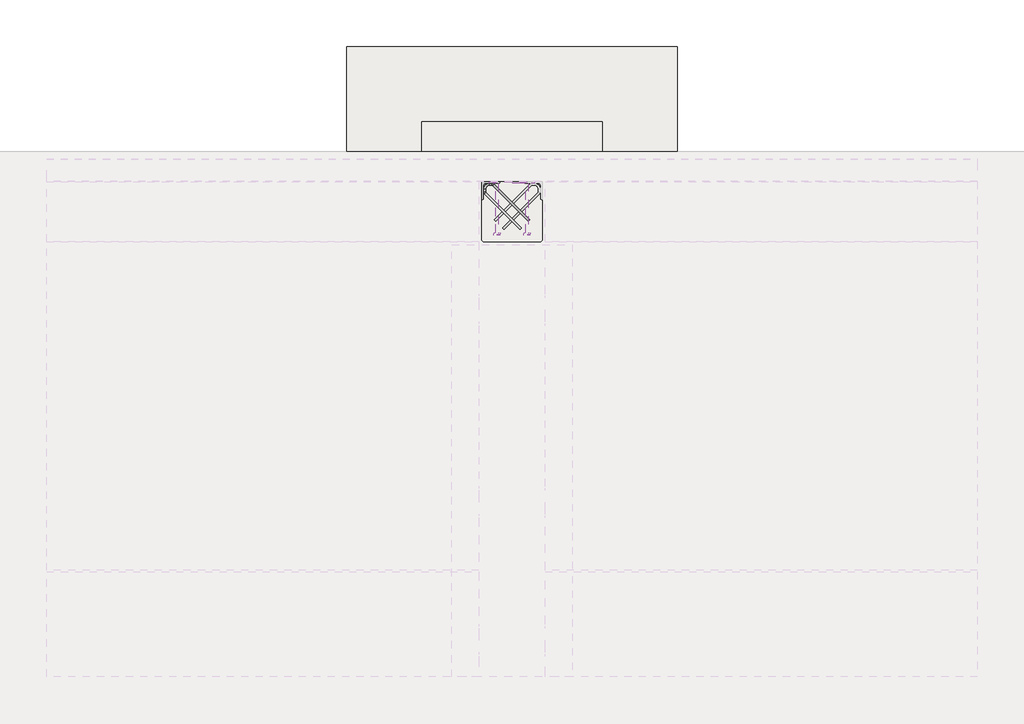
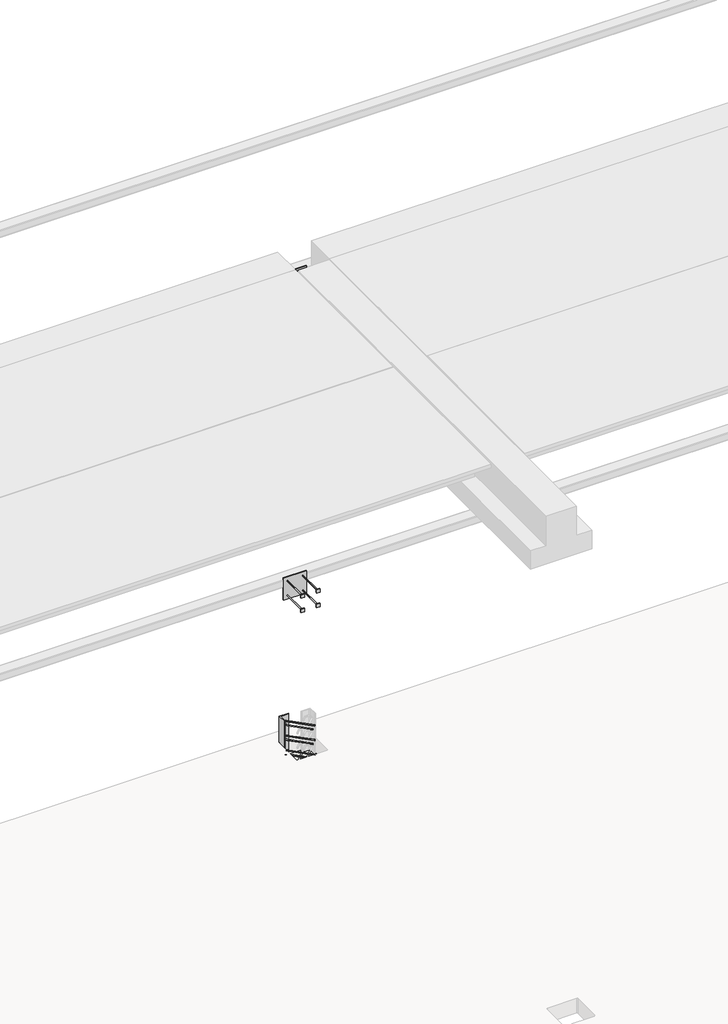
# One storey, part 37 of 65: 4 fasteners, 1 slab.
"""IFC4 building model written with IfcOpenShell, lengths in millimetres."""

from ifc_helpers import new_model, si_unit, point, frame, frame_2d, origin, place, context, project, spatial, polyline, circle_curve, ellipse_curve, trimmed, segment, composite_curve, outline, extrude, faceted_brep, element, save
from ifc_brep_helpers import plane_surface, cylinder_surface, revolved_surface, advanced_brep

model = new_model("IFC4")

# Units and contexts
model_context = context("Model", 3, world=origin())
ifc_project = project(units=[si_unit("LENGTHUNIT", "METRE", prefix="MILLI")], contexts=[model_context])

# Site, building, storey
site = spatial("IfcSite", under=ifc_project)
building = spatial("IfcBuilding", under=site)
storey = spatial("IfcBuildingStorey", under=building, Elevation=0.0)

# Fasteners
placement = place(None, origin())
element("IfcFastener", 1, at=placement, inside=storey, context=model_context, shape_type="SolidModel", body=[
    advanced_brep(
    [(28052.5376259, 38682.5628791, 280.0), (28062.4371209, 38692.4623741, 280.0), (28117.4371209, 38747.4623741, 280.0), (28107.5376259, 38737.5628791, 280.0), (27847.0, 38976.0, 280.0), (27847.0, 38990.0, 280.0), (27865.7867966, 38990.0, 280.0), (27865.7867966, 38976.0, 280.0), (27824.0, 38953.0, 280.0), (27810.0, 38953.0, 280.0), (27824.0, 38934.2132034, 280.0), (27810.0, 38934.2132034, 280.0), (27816.4436508, 38918.6568542, 280.0), (27826.3431458, 38928.5563492, 280.0), (27871.4436508, 38973.6568542, 280.0), (27881.3431458, 38983.5563492, 280.0)],
    [
        (0, 1, circle_curve(frame((28057.4873734, 38687.5126266, 280.0), z_axis=(0.7071067811865482, -0.707106781186547, 0.0), x_axis=(0.707106781186547, 0.7071067811865482, 0.0)), 7.0)),
        (1, 0, circle_curve(frame((28057.4873734, 38687.5126266, 280.0), z_axis=(0.7071067811865482, -0.707106781186547, 0.0), x_axis=(0.707106781186547, 0.7071067811865482, 0.0)), 7.0)),
        (2, 3, circle_curve(frame((28112.4873734, 38742.5126266, 280.0), z_axis=(0.707106781186548, -0.707106781186547, 0.0), x_axis=(-0.707106781186547, -0.707106781186548, 0.0)), 7.0)),
        (3, 2, circle_curve(frame((28112.4873734, 38742.5126266, 280.0), z_axis=(0.707106781186548, -0.707106781186547, 0.0), x_axis=(-0.707106781186547, -0.707106781186548, 0.0)), 7.0)),
        (4, 5, circle_curve(frame((27847.0, 38983.0, 280.0), z_axis=(1.0, 0.0, 0.0), x_axis=(0.0, -1.0, 0.0)), 7.0)),
        (5, 6),
        (6, 7, circle_curve(frame((27865.7867966, 38983.0, 280.0), z_axis=(-1.0, 0.0, 0.0), x_axis=(0.0, -1.0, 0.0)), 7.0)),
        (7, 4),
        (5, 4, circle_curve(frame((27847.0, 38983.0, 280.0), z_axis=(1.0, 0.0, 0.0), x_axis=(0.0, -1.0, 0.0)), 7.0)),
        (7, 6, circle_curve(frame((27865.7867966, 38983.0, 280.0), z_axis=(-1.0, 0.0, 0.0), x_axis=(0.0, -1.0, 0.0)), 7.0)),
        (4, 8, circle_curve(frame((27847.0, 38953.0, 280.0), z_axis=(0.0, 0.0, 1.0), x_axis=(-1.0, 0.0, 0.0)), 23.0)),
        (8, 9, circle_curve(frame((27817.0, 38953.0, 280.0), z_axis=(0.0, 1.0, 0.0), x_axis=(1.0, 0.0, 0.0)), 7.0)),
        (9, 5, circle_curve(frame((27847.0, 38953.0, 280.0), z_axis=(0.0, 0.0, -1.0), x_axis=(-1.0, 0.0, 0.0)), 37.0)),
        (9, 8, circle_curve(frame((27817.0, 38953.0, 280.0), z_axis=(0.0, 1.0, 0.0), x_axis=(1.0, 0.0, 0.0)), 7.0)),
        (10, 11, circle_curve(frame((27817.0, 38934.2132034, 280.0), z_axis=(0.0, 1.0, 0.0), x_axis=(1.0, 0.0, 0.0)), 7.0)),
        (11, 9),
        (8, 10),
        (11, 10, circle_curve(frame((27817.0, 38934.2132034, 280.0), z_axis=(0.0, 1.0, 0.0), x_axis=(1.0, 0.0, 0.0)), 7.0)),
        (0, 12),
        (12, 13, circle_curve(frame((27821.3933983, 38923.6066017, 280.0), z_axis=(0.7071067811865482, -0.707106781186547, 0.0), x_axis=(0.707106781186547, 0.7071067811865482, 0.0)), 7.0)),
        (13, 1),
        (13, 12, circle_curve(frame((27821.3933983, 38923.6066017, 280.0), z_axis=(0.7071067811865482, -0.707106781186547, 0.0), x_axis=(0.707106781186547, 0.7071067811865482, 0.0)), 7.0)),
        (10, 13, circle_curve(frame((27832.0, 38934.2132034, 280.0), z_axis=(0.0, 0.0, 1.0), x_axis=(-0.7071067811865468, -0.7071067811865482, 0.0)), 8.0)),
        (12, 11, circle_curve(frame((27832.0, 38934.2132034, 280.0), z_axis=(0.0, 0.0, -1.0), x_axis=(-0.7071067811865468, -0.7071067811865482, 0.0)), 22.0)),
        (14, 7, circle_curve(frame((27865.7867966, 38968.0, 280.0), z_axis=(0.0, 0.0, 1.0), x_axis=(0.0, 1.0, 0.0)), 8.0)),
        (6, 15, circle_curve(frame((27865.7867966, 38968.0, 280.0), z_axis=(0.0, 0.0, -1.0), x_axis=(0.0, 1.0, 0.0)), 22.0)),
        (15, 14, circle_curve(frame((27876.3933983, 38978.6066017, 280.0), z_axis=(-0.7071067811865479, 0.7071067811865471, 0.0), x_axis=(-0.7071067811865471, -0.7071067811865479, 0.0)), 7.0)),
        (14, 15, circle_curve(frame((27876.3933983, 38978.6066017, 280.0), z_axis=(-0.7071067811865476, 0.7071067811865475, 0.0), x_axis=(-0.7071067811865475, -0.7071067811865476, 0.0)), 7.0)),
        (15, 2),
        (3, 14),
    ],
    [
        plane_surface(frame((28057.4873734, 38687.5126266, 280.0), z_axis=(0.7071067811865482, -0.707106781186547, 0.0), x_axis=(0.0, 0.0, -1.0))),
        plane_surface(frame((28112.4873734, 38742.5126266, 280.0), z_axis=(0.707106781186548, -0.707106781186547, 0.0), x_axis=(0.0, 0.0, -1.0))),
        cylinder_surface(frame((27847.0, 38983.0, 280.0), z_axis=(-1.0, 0.0, 0.0), x_axis=(0.0, -1.0, 0.0)), 7.0),
        revolved_surface(trimmed(ellipse_curve(frame((27817.0, 38953.0, 280.0), z_axis=(0.0, -1.0, 0.0), x_axis=(1.0, 0.0, 0.0)), 7.0, 7.0), [point((27810.0, 38953.0, 280.0))], [point((27824.0, 38953.0, 280.0))], True, "CARTESIAN"), (27847.0, 38953.0, 280.0), (0.0, 0.0, -1.0)),
        revolved_surface(trimmed(ellipse_curve(frame((27817.0, 38953.0, 280.0), z_axis=(0.0, -1.0, 0.0), x_axis=(1.0, 0.0, 0.0)), 7.0, 7.0), [point((27824.0, 38953.0, 280.0))], [point((27810.0, 38953.0, 280.0))], True, "CARTESIAN"), (27847.0, 38953.0, 280.0), (0.0, 0.0, -1.0)),
        cylinder_surface(frame((27817.0, 38934.2132034, 280.0), z_axis=(0.0, -1.0, 0.0), x_axis=(1.0, 0.0, 0.0)), 7.0),
        cylinder_surface(frame((28057.4873734, 38687.5126266, 280.0), z_axis=(0.7071067811865482, -0.707106781186547, 0.0), x_axis=(0.707106781186547, 0.7071067811865482, 0.0)), 7.0),
        revolved_surface(trimmed(ellipse_curve(frame((27821.3933983, 38923.6066017, 280.0), z_axis=(0.7071067811865482, -0.7071067811865468, 0.0), x_axis=(0.7071067811865468, 0.7071067811865482, 0.0)), 7.0, 7.0), [point((27816.4436508, 38918.6568542, 280.0))], [point((27826.3431458, 38928.5563492, 280.0))], True, "CARTESIAN"), (27832.0, 38934.2132034, 280.0), (0.0, 0.0, -1.0)),
        revolved_surface(trimmed(ellipse_curve(frame((27821.3933983, 38923.6066017, 280.0), z_axis=(0.7071067811865482, -0.7071067811865468, 0.0), x_axis=(0.7071067811865468, 0.7071067811865482, 0.0)), 7.0, 7.0), [point((27826.3431458, 38928.5563492, 280.0))], [point((27816.4436508, 38918.6568542, 280.0))], True, "CARTESIAN"), (27832.0, 38934.2132034, 280.0), (0.0, 0.0, -1.0)),
        revolved_surface(trimmed(ellipse_curve(frame((27865.7867966, 38983.0, 280.0), z_axis=(-1.0, 0.0, 0.0), x_axis=(0.0, -1.0, 0.0)), 7.0, 7.0), [point((27865.7867966, 38990.0, 280.0))], [point((27865.7867966, 38976.0, 280.0))], True, "CARTESIAN"), (27865.7867966, 38968.0, 280.0), (0.0, 0.0, -1.0)),
        revolved_surface(trimmed(ellipse_curve(frame((27865.7867966, 38983.0, 280.0), z_axis=(-1.0, 0.0, 0.0), x_axis=(0.0, -1.0, 0.0)), 7.0, 7.0), [point((27865.7867966, 38976.0, 280.0))], [point((27865.7867966, 38990.0, 280.0))], True, "CARTESIAN"), (27865.7867966, 38968.0, 280.0), (0.0, 0.0, -1.0)),
        cylinder_surface(frame((27876.3933983, 38978.6066017, 280.0), z_axis=(-0.707106781186548, 0.707106781186547, 0.0), x_axis=(-0.707106781186547, -0.707106781186548, 0.0)), 7.0),
    ],
    [
        (0, [[1, 2]]),
        (1, [[3, 4]]),
        (2, [[5, 6, 7, 8]]),
        (2, [[9, -8, 10, -6]]),
        (3, [[11, 12, 13, -5]]),
        (4, [[-13, 14, -11, -9]]),
        (5, [[15, 16, -12, 17]]),
        (5, [[18, -17, -14, -16]]),
        (6, [[-1, 19, 20, 21]]),
        (6, [[-2, -21, 22, -19]]),
        (7, [[23, -20, 24, -15]]),
        (8, [[-24, -22, -23, -18]]),
        (9, [[25, -7, 26, 27]]),
        (10, [[-26, -10, -25, 28]]),
        (11, [[-27, 29, -4, 30]]),
        (11, [[-28, -30, -3, -29]]),
    ],
),
    advanced_brep(
    [(28062.4371209, 38692.4623741, -120.0), (28052.5376259, 38682.5628791, -120.0), (28107.5376259, 38737.5628791, -120.0), (28117.4371209, 38747.4623741, -120.0), (27847.0, 38990.0, -120.0), (27847.0, 38976.0, -120.0), (27865.7867966, 38976.0, -120.0), (27865.7867966, 38990.0, -120.0), (27810.0, 38953.0, -120.0), (27824.0, 38953.0, -120.0), (27810.0, 38934.2132034, -120.0), (27824.0, 38934.2132034, -120.0), (27826.3431458, 38928.5563492, -120.0), (27816.4436508, 38918.6568542, -120.0), (27881.3431458, 38983.5563492, -120.0), (27871.4436508, 38973.6568542, -120.0)],
    [
        (0, 1, circle_curve(frame((28057.4873734, 38687.5126266, -120.0), z_axis=(0.7071067811865482, -0.707106781186547, 0.0), x_axis=(-0.707106781186547, -0.7071067811865482, 0.0)), 7.0)),
        (1, 0, circle_curve(frame((28057.4873734, 38687.5126266, -120.0), z_axis=(0.7071067811865482, -0.707106781186547, 0.0), x_axis=(-0.707106781186547, -0.7071067811865482, 0.0)), 7.0)),
        (2, 3, circle_curve(frame((28112.4873734, 38742.5126266, -120.0), z_axis=(0.7071067811865481, -0.707106781186547, 0.0), x_axis=(0.707106781186547, 0.7071067811865481, 0.0)), 7.0)),
        (3, 2, circle_curve(frame((28112.4873734, 38742.5126266, -120.0), z_axis=(0.7071067811865481, -0.707106781186547, 0.0), x_axis=(0.707106781186547, 0.7071067811865481, 0.0)), 7.0)),
        (4, 5, circle_curve(frame((27847.0, 38983.0, -120.0), z_axis=(1.0, 0.0, 0.0), x_axis=(0.0, 1.0, 0.0)), 7.0)),
        (5, 6),
        (6, 7, circle_curve(frame((27865.7867966, 38983.0, -120.0), z_axis=(-1.0, 0.0, 0.0), x_axis=(0.0, 1.0, 0.0)), 7.0)),
        (7, 4),
        (5, 4, circle_curve(frame((27847.0, 38983.0, -120.0), z_axis=(1.0, 0.0, 0.0), x_axis=(0.0, 1.0, 0.0)), 7.0)),
        (7, 6, circle_curve(frame((27865.7867966, 38983.0, -120.0), z_axis=(-1.0, 0.0, 0.0), x_axis=(0.0, 1.0, 0.0)), 7.0)),
        (4, 8, circle_curve(frame((27847.0, 38953.0, -120.0), z_axis=(0.0, 0.0, 1.0), x_axis=(-1.0, 0.0, 0.0)), 37.0)),
        (8, 9, circle_curve(frame((27817.0, 38953.0, -120.0), z_axis=(0.0, 1.0, 0.0), x_axis=(-1.0, 0.0, 0.0)), 7.0)),
        (9, 5, circle_curve(frame((27847.0, 38953.0, -120.0), z_axis=(0.0, 0.0, -1.0), x_axis=(-1.0, 0.0, 0.0)), 23.0)),
        (9, 8, circle_curve(frame((27817.0, 38953.0, -120.0), z_axis=(0.0, 1.0, 0.0), x_axis=(-1.0, 0.0, 0.0)), 7.0)),
        (10, 11, circle_curve(frame((27817.0, 38934.2132034, -120.0), z_axis=(0.0, 1.0, 0.0), x_axis=(-1.0, 0.0, 0.0)), 7.0)),
        (11, 9),
        (8, 10),
        (11, 10, circle_curve(frame((27817.0, 38934.2132034, -120.0), z_axis=(0.0, 1.0, 0.0), x_axis=(-1.0, 0.0, 0.0)), 7.0)),
        (0, 12),
        (12, 13, circle_curve(frame((27821.3933983, 38923.6066017, -120.0), z_axis=(0.7071067811865482, -0.707106781186547, 0.0), x_axis=(-0.707106781186547, -0.7071067811865482, 0.0)), 7.0)),
        (13, 1),
        (13, 12, circle_curve(frame((27821.3933983, 38923.6066017, -120.0), z_axis=(0.7071067811865482, -0.707106781186547, 0.0), x_axis=(-0.707106781186547, -0.7071067811865482, 0.0)), 7.0)),
        (10, 13, circle_curve(frame((27832.0, 38934.2132034, -120.0), z_axis=(0.0, 0.0, 1.0), x_axis=(-0.7071067811865468, -0.7071067811865482, 0.0)), 22.0)),
        (12, 11, circle_curve(frame((27832.0, 38934.2132034, -120.0), z_axis=(0.0, 0.0, -1.0), x_axis=(-0.7071067811865468, -0.7071067811865482, 0.0)), 8.0)),
        (14, 7, circle_curve(frame((27865.7867966, 38968.0, -120.0), z_axis=(0.0, 0.0, 1.0), x_axis=(0.0, 1.0, 0.0)), 22.0)),
        (6, 15, circle_curve(frame((27865.7867966, 38968.0, -120.0), z_axis=(0.0, 0.0, -1.0), x_axis=(0.0, 1.0, 0.0)), 8.0)),
        (15, 14, circle_curve(frame((27876.3933983, 38978.6066017, -120.0), z_axis=(-0.7071067811865464, 0.7071067811865487, 0.0), x_axis=(0.7071067811865487, 0.7071067811865464, 0.0)), 7.0)),
        (14, 15, circle_curve(frame((27876.3933983, 38978.6066017, -120.0), z_axis=(-0.7071067811865474, 0.7071067811865477, 0.0), x_axis=(0.7071067811865477, 0.7071067811865474, 0.0)), 7.0)),
        (15, 2),
        (3, 14),
    ],
    [
        plane_surface(frame((28057.4873734, 38687.5126266, -120.0), z_axis=(0.7071067811865482, -0.707106781186547, 0.0), x_axis=(0.0, 0.0, 1.0))),
        plane_surface(frame((28112.4873734, 38742.5126266, -120.0), z_axis=(0.7071067811865481, -0.707106781186547, 0.0), x_axis=(0.0, 0.0, 1.0))),
        cylinder_surface(frame((27847.0, 38983.0, -120.0), z_axis=(-1.0, 0.0, 0.0), x_axis=(0.0, 1.0, 0.0)), 7.0),
        revolved_surface(trimmed(ellipse_curve(frame((27817.0, 38953.0, -120.0), z_axis=(0.0, -1.0, 0.0), x_axis=(-1.0, 0.0, 0.0)), 7.0, 7.0), [point((27824.0, 38953.0, -120.0))], [point((27810.0, 38953.0, -120.0))], True, "CARTESIAN"), (27847.0, 38953.0, -120.0), (0.0, 0.0, -1.0)),
        revolved_surface(trimmed(ellipse_curve(frame((27817.0, 38953.0, -120.0), z_axis=(0.0, -1.0, 0.0), x_axis=(-1.0, 0.0, 0.0)), 7.0, 7.0), [point((27810.0, 38953.0, -120.0))], [point((27824.0, 38953.0, -120.0))], True, "CARTESIAN"), (27847.0, 38953.0, -120.0), (0.0, 0.0, -1.0)),
        cylinder_surface(frame((27817.0, 38934.2132034, -120.0), z_axis=(0.0, -1.0, 0.0), x_axis=(-1.0, 0.0, 0.0)), 7.0),
        cylinder_surface(frame((28057.4873734, 38687.5126266, -120.0), z_axis=(0.7071067811865482, -0.707106781186547, 0.0), x_axis=(-0.707106781186547, -0.7071067811865482, 0.0)), 7.0),
        revolved_surface(trimmed(ellipse_curve(frame((27821.3933983, 38923.6066017, -120.0), z_axis=(0.7071067811865482, -0.7071067811865468, 0.0), x_axis=(-0.7071067811865468, -0.7071067811865482, 0.0)), 7.0, 7.0), [point((27826.3431458, 38928.5563492, -120.0))], [point((27816.4436508, 38918.6568542, -120.0))], True, "CARTESIAN"), (27832.0, 38934.2132034, -120.0), (0.0, 0.0, -1.0)),
        revolved_surface(trimmed(ellipse_curve(frame((27821.3933983, 38923.6066017, -120.0), z_axis=(0.7071067811865482, -0.7071067811865468, 0.0), x_axis=(-0.7071067811865468, -0.7071067811865482, 0.0)), 7.0, 7.0), [point((27816.4436508, 38918.6568542, -120.0))], [point((27826.3431458, 38928.5563492, -120.0))], True, "CARTESIAN"), (27832.0, 38934.2132034, -120.0), (0.0, 0.0, -1.0)),
        revolved_surface(trimmed(ellipse_curve(frame((27865.7867966, 38983.0, -120.0), z_axis=(-1.0, 0.0, 0.0), x_axis=(0.0, 1.0, 0.0)), 7.0, 7.0), [point((27865.7867966, 38976.0, -120.0))], [point((27865.7867966, 38990.0, -120.0))], True, "CARTESIAN"), (27865.7867966, 38968.0, -120.0), (0.0, 0.0, -1.0)),
        revolved_surface(trimmed(ellipse_curve(frame((27865.7867966, 38983.0, -120.0), z_axis=(-1.0, 0.0, 0.0), x_axis=(0.0, 1.0, 0.0)), 7.0, 7.0), [point((27865.7867966, 38990.0, -120.0))], [point((27865.7867966, 38976.0, -120.0))], True, "CARTESIAN"), (27865.7867966, 38968.0, -120.0), (0.0, 0.0, -1.0)),
        cylinder_surface(frame((27876.3933983, 38978.6066017, -120.0), z_axis=(-0.7071067811865481, 0.707106781186547, 0.0), x_axis=(0.707106781186547, 0.7071067811865481, 0.0)), 7.0),
    ],
    [
        (0, [[1, 2]]),
        (1, [[3, 4]]),
        (2, [[5, 6, 7, 8]]),
        (2, [[9, -8, 10, -6]]),
        (3, [[11, 12, 13, -5]]),
        (4, [[-13, 14, -11, -9]]),
        (5, [[15, 16, -12, 17]]),
        (5, [[18, -17, -14, -16]]),
        (6, [[-1, 19, 20, 21]]),
        (6, [[-2, -21, 22, -19]]),
        (7, [[23, -20, 24, -15]]),
        (8, [[-24, -22, -23, -18]]),
        (9, [[25, -7, 26, 27]]),
        (10, [[-26, -10, -25, 28]]),
        (11, [[-27, 29, -4, 30]]),
        (11, [[-28, -30, -3, -29]]),
    ],
),
    advanced_brep(
    [(28062.4371209, 38692.4623741, 80.0), (28052.5376259, 38682.5628791, 80.0), (28107.5376259, 38737.5628791, 80.0), (28117.4371209, 38747.4623741, 80.0), (27847.0, 38990.0, 80.0), (27847.0, 38976.0, 80.0), (27865.7867966, 38976.0, 80.0), (27865.7867966, 38990.0, 80.0), (27810.0, 38953.0, 80.0), (27824.0, 38953.0, 80.0), (27810.0, 38934.2132034, 80.0), (27824.0, 38934.2132034, 80.0), (27826.3431458, 38928.5563492, 80.0), (27816.4436508, 38918.6568542, 80.0), (27881.3431458, 38983.5563492, 80.0), (27871.4436508, 38973.6568542, 80.0)],
    [
        (0, 1, circle_curve(frame((28057.4873734, 38687.5126266, 80.0), z_axis=(0.7071067811865481, -0.7071067811865469, 0.0), x_axis=(-0.7071067811865469, -0.7071067811865481, 0.0)), 7.0)),
        (1, 0, circle_curve(frame((28057.4873734, 38687.5126266, 80.0), z_axis=(0.7071067811865481, -0.7071067811865469, 0.0), x_axis=(-0.7071067811865469, -0.7071067811865481, 0.0)), 7.0)),
        (2, 3, circle_curve(frame((28112.4873734, 38742.5126266, 80.0), z_axis=(0.7071067811865481, -0.707106781186547, 0.0), x_axis=(0.707106781186547, 0.7071067811865481, 0.0)), 7.0)),
        (3, 2, circle_curve(frame((28112.4873734, 38742.5126266, 80.0), z_axis=(0.7071067811865481, -0.707106781186547, 0.0), x_axis=(0.707106781186547, 0.7071067811865481, 0.0)), 7.0)),
        (4, 5, circle_curve(frame((27847.0, 38983.0, 80.0), z_axis=(1.0, 0.0, 0.0), x_axis=(0.0, 1.0, 0.0)), 7.0)),
        (5, 6),
        (6, 7, circle_curve(frame((27865.7867966, 38983.0, 80.0), z_axis=(-1.0, 0.0, 0.0), x_axis=(0.0, 1.0, 0.0)), 7.0)),
        (7, 4),
        (5, 4, circle_curve(frame((27847.0, 38983.0, 80.0), z_axis=(1.0, 0.0, 0.0), x_axis=(0.0, 1.0, 0.0)), 7.0)),
        (7, 6, circle_curve(frame((27865.7867966, 38983.0, 80.0), z_axis=(-1.0, 0.0, 0.0), x_axis=(0.0, 1.0, 0.0)), 7.0)),
        (4, 8, circle_curve(frame((27847.0, 38953.0, 80.0), z_axis=(0.0, 0.0, 1.0), x_axis=(-1.0, 0.0, 0.0)), 37.0)),
        (8, 9, circle_curve(frame((27817.0, 38953.0, 80.0), z_axis=(0.0, 1.0, 0.0), x_axis=(-1.0, 0.0, 0.0)), 7.0)),
        (9, 5, circle_curve(frame((27847.0, 38953.0, 80.0), z_axis=(0.0, 0.0, -1.0), x_axis=(-1.0, 0.0, 0.0)), 23.0)),
        (9, 8, circle_curve(frame((27817.0, 38953.0, 80.0), z_axis=(0.0, 1.0, 0.0), x_axis=(-1.0, 0.0, 0.0)), 7.0)),
        (10, 11, circle_curve(frame((27817.0, 38934.2132034, 80.0), z_axis=(0.0, 1.0, 0.0), x_axis=(-1.0, 0.0, 0.0)), 7.0)),
        (11, 9),
        (8, 10),
        (11, 10, circle_curve(frame((27817.0, 38934.2132034, 80.0), z_axis=(0.0, 1.0, 0.0), x_axis=(-1.0, 0.0, 0.0)), 7.0)),
        (0, 12),
        (12, 13, circle_curve(frame((27821.3933983, 38923.6066017, 80.0), z_axis=(0.7071067811865481, -0.7071067811865469, 0.0), x_axis=(-0.7071067811865469, -0.7071067811865481, 0.0)), 7.0)),
        (13, 1),
        (13, 12, circle_curve(frame((27821.3933983, 38923.6066017, 80.0), z_axis=(0.7071067811865481, -0.7071067811865469, 0.0), x_axis=(-0.7071067811865469, -0.7071067811865481, 0.0)), 7.0)),
        (10, 13, circle_curve(frame((27832.0, 38934.2132034, 80.0), z_axis=(0.0, 0.0, 1.0), x_axis=(-0.7071067811865468, -0.7071067811865482, 0.0)), 22.0)),
        (12, 11, circle_curve(frame((27832.0, 38934.2132034, 80.0), z_axis=(0.0, 0.0, -1.0), x_axis=(-0.7071067811865468, -0.7071067811865482, 0.0)), 8.0)),
        (14, 7, circle_curve(frame((27865.7867966, 38968.0, 80.0), z_axis=(0.0, 0.0, 1.0), x_axis=(0.0, 1.0, 0.0)), 22.0)),
        (6, 15, circle_curve(frame((27865.7867966, 38968.0, 80.0), z_axis=(0.0, 0.0, -1.0), x_axis=(0.0, 1.0, 0.0)), 8.0)),
        (15, 14, circle_curve(frame((27876.3933983, 38978.6066017, 80.0), z_axis=(-0.707106781186548, 0.707106781186547, 0.0), x_axis=(0.707106781186547, 0.707106781186548, 0.0)), 7.0)),
        (14, 15, circle_curve(frame((27876.3933983, 38978.6066017, 80.0), z_axis=(-0.7071067811865479, 0.7071067811865471, 0.0), x_axis=(0.7071067811865471, 0.7071067811865479, 0.0)), 7.0)),
        (15, 2),
        (3, 14),
    ],
    [
        plane_surface(frame((28057.4873734, 38687.5126266, 80.0), z_axis=(0.7071067811865481, -0.7071067811865469, 0.0), x_axis=(0.0, 0.0, 1.0))),
        plane_surface(frame((28112.4873734, 38742.5126266, 80.0), z_axis=(0.707106781186548, -0.7071067811865471, 0.0), x_axis=(0.0, 0.0, 1.0))),
        cylinder_surface(frame((27847.0, 38983.0, 80.0), z_axis=(-1.0, 0.0, 0.0), x_axis=(0.0, 1.0, 0.0)), 7.0),
        revolved_surface(trimmed(ellipse_curve(frame((27817.0, 38953.0, 80.0), z_axis=(0.0, -1.0, 0.0), x_axis=(-1.0, 0.0, 0.0)), 7.0, 7.0), [point((27824.0, 38953.0, 80.0))], [point((27810.0, 38953.0, 80.0))], True, "CARTESIAN"), (27847.0, 38953.0, 80.0), (0.0, 0.0, -1.0)),
        revolved_surface(trimmed(ellipse_curve(frame((27817.0, 38953.0, 80.0), z_axis=(0.0, -1.0, 0.0), x_axis=(-1.0, 0.0, 0.0)), 7.0, 7.0), [point((27810.0, 38953.0, 80.0))], [point((27824.0, 38953.0, 80.0))], True, "CARTESIAN"), (27847.0, 38953.0, 80.0), (0.0, 0.0, -1.0)),
        cylinder_surface(frame((27817.0, 38934.2132034, 80.0), z_axis=(0.0, -1.0, 0.0), x_axis=(-1.0, 0.0, 0.0)), 7.0),
        cylinder_surface(frame((28057.4873734, 38687.5126266, 80.0), z_axis=(0.7071067811865481, -0.7071067811865469, 0.0), x_axis=(-0.7071067811865469, -0.7071067811865481, 0.0)), 7.0),
        revolved_surface(trimmed(ellipse_curve(frame((27821.3933983, 38923.6066017, 80.0), z_axis=(0.7071067811865483, -0.7071067811865467, 0.0), x_axis=(-0.7071067811865467, -0.7071067811865483, 0.0)), 7.0, 7.0), [point((27826.3431458, 38928.5563492, 80.0))], [point((27816.4436508, 38918.6568542, 80.0))], True, "CARTESIAN"), (27832.0, 38934.2132034, 80.0), (0.0, 0.0, -1.0)),
        revolved_surface(trimmed(ellipse_curve(frame((27821.3933983, 38923.6066017, 80.0), z_axis=(0.7071067811865483, -0.7071067811865467, 0.0), x_axis=(-0.7071067811865467, -0.7071067811865483, 0.0)), 7.0, 7.0), [point((27816.4436508, 38918.6568542, 80.0))], [point((27826.3431458, 38928.5563492, 80.0))], True, "CARTESIAN"), (27832.0, 38934.2132034, 80.0), (0.0, 0.0, -1.0)),
        revolved_surface(trimmed(ellipse_curve(frame((27865.7867966, 38983.0, 80.0), z_axis=(-1.0, 0.0, 0.0), x_axis=(0.0, 1.0, 0.0)), 7.0, 7.0), [point((27865.7867966, 38976.0, 80.0))], [point((27865.7867966, 38990.0, 80.0))], True, "CARTESIAN"), (27865.7867966, 38968.0, 80.0), (0.0, 0.0, -1.0)),
        revolved_surface(trimmed(ellipse_curve(frame((27865.7867966, 38983.0, 80.0), z_axis=(-1.0, 0.0, 0.0), x_axis=(0.0, 1.0, 0.0)), 7.0, 7.0), [point((27865.7867966, 38990.0, 80.0))], [point((27865.7867966, 38976.0, 80.0))], True, "CARTESIAN"), (27865.7867966, 38968.0, 80.0), (0.0, 0.0, -1.0)),
        cylinder_surface(frame((27876.3933983, 38978.6066017, 80.0), z_axis=(-0.7071067811865481, 0.707106781186547, 0.0), x_axis=(0.707106781186547, 0.7071067811865481, 0.0)), 7.0),
    ],
    [
        (0, [[1, 2]]),
        (1, [[3, 4]]),
        (2, [[5, 6, 7, 8]]),
        (2, [[9, -8, 10, -6]]),
        (3, [[11, 12, 13, -5]]),
        (4, [[-13, 14, -11, -9]]),
        (5, [[15, 16, -12, 17]]),
        (5, [[18, -17, -14, -16]]),
        (6, [[-1, 19, 20, 21]]),
        (6, [[-2, -21, 22, -19]]),
        (7, [[23, -20, 24, -15]]),
        (8, [[-24, -22, -23, -18]]),
        (9, [[25, -7, 26, 27]]),
        (10, [[-26, -10, -25, 28]]),
        (11, [[-27, 29, -4, 30]]),
        (11, [[-28, -30, -3, -29]]),
    ],
),
    extrude(outline(composite_curve([segment(polyline([(27800.0, 39000.0), (27920.0, 39000.0), (27920.0, 38996.5)]), True, "CONTINUOUS"), segment(trimmed(circle_curve(frame_2d((27913.5, 38996.5)), 6.5), [point((27920.0, 38996.5))], [point((27913.5, 38990.0))], False, "CARTESIAN"), True, "CONTINUOUS"), segment(polyline([(27913.5, 38990.0), (27823.0, 38990.0)]), True, "CONTINUOUS"), segment(trimmed(circle_curve(frame_2d((27823.0, 38977.0)), 13.0), [point((27823.0, 38990.0))], [point((27810.0, 38977.0))], True, "CARTESIAN"), True, "CONTINUOUS"), segment(polyline([(27810.0, 38977.0), (27810.0, 38886.5)]), True, "CONTINUOUS"), segment(trimmed(circle_curve(frame_2d((27803.5, 38886.5)), 6.5), [point((27810.0, 38886.5))], [point((27803.5, 38880.0))], False, "CARTESIAN"), True, "CONTINUOUS"), segment(polyline([(27803.5, 38880.0), (27800.0, 38880.0), (27800.0, 39000.0)]), True, "CONTINUOUS")], self_intersect=False)), frame((0.0, 0.0, -200.0), z_axis=(0.0, 0.0, 1.0), x_axis=(1.0, 0.0, 0.0)), (0.0, 0.0, 1.0), 560.0),
])
element("IfcFastener", 2, ObjectType="ZC : ZC 1", at=placement, inside=storey, context=model_context, shape_type="SweptSolid", body=[
    extrude(outline(polyline([(27877.5, 38660.0), (27922.5, 38660.0), (27922.5, 38644.0), (27877.5, 38644.0), (27877.5, 38660.0)])), frame((0.0, 0.0, 3867.5), z_axis=(0.0, 0.0, 1.0), x_axis=(1.0, 0.0, 0.0)), (0.0, 0.0, 1.0), 45.0),
    extrude(outline(composite_curve([segment(trimmed(circle_curve(frame_2d((3890.0, 27900.0)), 7.0), [point((3890.0, 27893.0))], [point((3890.0, 27907.0))], False, "CARTESIAN"), True, "CONTINUOUS"), segment(trimmed(circle_curve(frame_2d((3890.0, 27900.0)), 7.0), [point((3890.0, 27907.0))], [point((3890.0, 27893.0))], False, "CARTESIAN"), True, "CONTINUOUS")], self_intersect=False)), frame((0.0, 38660.0, 0.0), z_axis=(0.0, 1.0, 0.0), x_axis=(0.0, 0.0, 1.0)), (0.0, 0.0, 1.0), 330.0),
    extrude(outline(polyline([(28077.5, 38660.0), (28122.5, 38660.0), (28122.5, 38644.0), (28077.5, 38644.0), (28077.5, 38660.0)])), frame((0.0, 0.0, 3867.5), z_axis=(0.0, 0.0, 1.0), x_axis=(1.0, 0.0, 0.0)), (0.0, 0.0, 1.0), 45.0),
    extrude(outline(composite_curve([segment(trimmed(circle_curve(frame_2d((3890.0, 28100.0)), 7.0), [point((3890.0, 28093.0))], [point((3890.0, 28107.0))], False, "CARTESIAN"), True, "CONTINUOUS"), segment(trimmed(circle_curve(frame_2d((3890.0, 28100.0)), 7.0), [point((3890.0, 28107.0))], [point((3890.0, 28093.0))], False, "CARTESIAN"), True, "CONTINUOUS")], self_intersect=False)), frame((0.0, 38660.0, 0.0), z_axis=(0.0, 1.0, 0.0), x_axis=(0.0, 0.0, 1.0)), (0.0, 0.0, 1.0), 330.0),
    extrude(outline(polyline([(27877.5, 38660.0), (27922.5, 38660.0), (27922.5, 38644.0), (27877.5, 38644.0), (27877.5, 38660.0)])), frame((0.0, 0.0, 4067.5), z_axis=(0.0, 0.0, 1.0), x_axis=(1.0, 0.0, 0.0)), (0.0, 0.0, 1.0), 45.0),
    extrude(outline(composite_curve([segment(trimmed(circle_curve(frame_2d((4090.0, 27900.0)), 7.0), [point((4090.0, 27893.0))], [point((4090.0, 27907.0))], False, "CARTESIAN"), True, "CONTINUOUS"), segment(trimmed(circle_curve(frame_2d((4090.0, 27900.0)), 7.0), [point((4090.0, 27907.0))], [point((4090.0, 27893.0))], False, "CARTESIAN"), True, "CONTINUOUS")], self_intersect=False)), frame((0.0, 38660.0, 0.0), z_axis=(0.0, 1.0, 0.0), x_axis=(0.0, 0.0, 1.0)), (0.0, 0.0, 1.0), 330.0),
    extrude(outline(polyline([(28077.5, 38660.0), (28122.5, 38660.0), (28122.5, 38644.0), (28077.5, 38644.0), (28077.5, 38660.0)])), frame((0.0, 0.0, 4067.5), z_axis=(0.0, 0.0, 1.0), x_axis=(1.0, 0.0, 0.0)), (0.0, 0.0, 1.0), 45.0),
    extrude(outline(composite_curve([segment(trimmed(circle_curve(frame_2d((4090.0, 28100.0)), 7.0), [point((4090.0, 28093.0))], [point((4090.0, 28107.0))], False, "CARTESIAN"), True, "CONTINUOUS"), segment(trimmed(circle_curve(frame_2d((4090.0, 28100.0)), 7.0), [point((4090.0, 28107.0))], [point((4090.0, 28093.0))], False, "CARTESIAN"), True, "CONTINUOUS")], self_intersect=False)), frame((0.0, 38660.0, 0.0), z_axis=(0.0, 1.0, 0.0), x_axis=(0.0, 0.0, 1.0)), (0.0, 0.0, 1.0), 330.0),
    extrude(outline(polyline([(27850.0, 39000.0), (28150.0, 39000.0), (28150.0, 38990.0), (27850.0, 38990.0), (27850.0, 39000.0)])), frame((0.0, 0.0, 3840.0), z_axis=(0.0, 0.0, 1.0), x_axis=(1.0, 0.0, 0.0)), (0.0, 0.0, 1.0), 300.0),
])
element("IfcFastener", 3, ObjectType="ZC : ZC 1", at=placement, inside=storey, context=model_context, shape_type="SweptSolid", body=[
    extrude(outline(polyline([(27877.5, 38660.0), (27922.5, 38660.0), (27922.5, 38644.0), (27877.5, 38644.0), (27877.5, 38660.0)])), frame((0.0, 0.0, 1962.5), z_axis=(0.0, 0.0, 1.0), x_axis=(1.0, 0.0, 0.0)), (0.0, 0.0, 1.0), 45.0),
    extrude(outline(composite_curve([segment(trimmed(circle_curve(frame_2d((1985.0, 27900.0)), 7.0), [point((1985.0, 27893.0))], [point((1985.0, 27907.0))], False, "CARTESIAN"), True, "CONTINUOUS"), segment(trimmed(circle_curve(frame_2d((1985.0, 27900.0)), 7.0), [point((1985.0, 27907.0))], [point((1985.0, 27893.0))], False, "CARTESIAN"), True, "CONTINUOUS")], self_intersect=False)), frame((0.0, 38660.0, 0.0), z_axis=(0.0, 1.0, 0.0), x_axis=(0.0, 0.0, 1.0)), (0.0, 0.0, 1.0), 330.0),
    extrude(outline(polyline([(28077.5, 38660.0), (28122.5, 38660.0), (28122.5, 38644.0), (28077.5, 38644.0), (28077.5, 38660.0)])), frame((0.0, 0.0, 1962.5), z_axis=(0.0, 0.0, 1.0), x_axis=(1.0, 0.0, 0.0)), (0.0, 0.0, 1.0), 45.0),
    extrude(outline(composite_curve([segment(trimmed(circle_curve(frame_2d((1985.0, 28100.0)), 7.0), [point((1985.0, 28093.0))], [point((1985.0, 28107.0))], False, "CARTESIAN"), True, "CONTINUOUS"), segment(trimmed(circle_curve(frame_2d((1985.0, 28100.0)), 7.0), [point((1985.0, 28107.0))], [point((1985.0, 28093.0))], False, "CARTESIAN"), True, "CONTINUOUS")], self_intersect=False)), frame((0.0, 38660.0, 0.0), z_axis=(0.0, 1.0, 0.0), x_axis=(0.0, 0.0, 1.0)), (0.0, 0.0, 1.0), 330.0),
    extrude(outline(polyline([(27877.5, 38660.0), (27922.5, 38660.0), (27922.5, 38644.0), (27877.5, 38644.0), (27877.5, 38660.0)])), frame((0.0, 0.0, 2162.5), z_axis=(0.0, 0.0, 1.0), x_axis=(1.0, 0.0, 0.0)), (0.0, 0.0, 1.0), 45.0),
    extrude(outline(composite_curve([segment(trimmed(circle_curve(frame_2d((2185.0, 27900.0)), 7.0), [point((2185.0, 27893.0))], [point((2185.0, 27907.0))], False, "CARTESIAN"), True, "CONTINUOUS"), segment(trimmed(circle_curve(frame_2d((2185.0, 27900.0)), 7.0), [point((2185.0, 27907.0))], [point((2185.0, 27893.0))], False, "CARTESIAN"), True, "CONTINUOUS")], self_intersect=False)), frame((0.0, 38660.0, 0.0), z_axis=(0.0, 1.0, 0.0), x_axis=(0.0, 0.0, 1.0)), (0.0, 0.0, 1.0), 330.0),
    extrude(outline(polyline([(28077.5, 38660.0), (28122.5, 38660.0), (28122.5, 38644.0), (28077.5, 38644.0), (28077.5, 38660.0)])), frame((0.0, 0.0, 2162.5), z_axis=(0.0, 0.0, 1.0), x_axis=(1.0, 0.0, 0.0)), (0.0, 0.0, 1.0), 45.0),
    extrude(outline(composite_curve([segment(trimmed(circle_curve(frame_2d((2185.0, 28100.0)), 7.0), [point((2185.0, 28093.0))], [point((2185.0, 28107.0))], False, "CARTESIAN"), True, "CONTINUOUS"), segment(trimmed(circle_curve(frame_2d((2185.0, 28100.0)), 7.0), [point((2185.0, 28107.0))], [point((2185.0, 28093.0))], False, "CARTESIAN"), True, "CONTINUOUS")], self_intersect=False)), frame((0.0, 38660.0, 0.0), z_axis=(0.0, 1.0, 0.0), x_axis=(0.0, 0.0, 1.0)), (0.0, 0.0, 1.0), 330.0),
    extrude(outline(polyline([(27850.0, 39000.0), (28150.0, 39000.0), (28150.0, 38990.0), (27850.0, 38990.0), (27850.0, 39000.0)])), frame((0.0, 0.0, 1935.0), z_axis=(0.0, 0.0, 1.0), x_axis=(1.0, 0.0, 0.0)), (0.0, 0.0, 1.0), 300.0),
])
element("IfcFastener", 4, ObjectType="ZC : ZC 1", at=placement, inside=storey, context=model_context, shape_type="SweptSolid", body=[
    extrude(outline(polyline([(27877.5, 38660.0), (27922.5, 38660.0), (27922.5, 38644.0), (27877.5, 38644.0), (27877.5, 38660.0)])), frame((0.0, 0.0, 6137.5), z_axis=(0.0, 0.0, 1.0), x_axis=(1.0, 0.0, 0.0)), (0.0, 0.0, 1.0), 45.0),
    extrude(outline(composite_curve([segment(trimmed(circle_curve(frame_2d((6160.0, 27900.0)), 7.0), [point((6160.0, 27893.0))], [point((6160.0, 27907.0))], False, "CARTESIAN"), True, "CONTINUOUS"), segment(trimmed(circle_curve(frame_2d((6160.0, 27900.0)), 7.0), [point((6160.0, 27907.0))], [point((6160.0, 27893.0))], False, "CARTESIAN"), True, "CONTINUOUS")], self_intersect=False)), frame((0.0, 38660.0, 0.0), z_axis=(0.0, 1.0, 0.0), x_axis=(0.0, 0.0, 1.0)), (0.0, 0.0, 1.0), 330.0),
    extrude(outline(polyline([(28077.5, 38660.0), (28122.5, 38660.0), (28122.5, 38644.0), (28077.5, 38644.0), (28077.5, 38660.0)])), frame((0.0, 0.0, 6137.5), z_axis=(0.0, 0.0, 1.0), x_axis=(1.0, 0.0, 0.0)), (0.0, 0.0, 1.0), 45.0),
    extrude(outline(composite_curve([segment(trimmed(circle_curve(frame_2d((6160.0, 28100.0)), 7.0), [point((6160.0, 28093.0))], [point((6160.0, 28107.0))], False, "CARTESIAN"), True, "CONTINUOUS"), segment(trimmed(circle_curve(frame_2d((6160.0, 28100.0)), 7.0), [point((6160.0, 28107.0))], [point((6160.0, 28093.0))], False, "CARTESIAN"), True, "CONTINUOUS")], self_intersect=False)), frame((0.0, 38660.0, 0.0), z_axis=(0.0, 1.0, 0.0), x_axis=(0.0, 0.0, 1.0)), (0.0, 0.0, 1.0), 330.0),
    extrude(outline(polyline([(27877.5, 38660.0), (27922.5, 38660.0), (27922.5, 38644.0), (27877.5, 38644.0), (27877.5, 38660.0)])), frame((0.0, 0.0, 6337.5), z_axis=(0.0, 0.0, 1.0), x_axis=(1.0, 0.0, 0.0)), (0.0, 0.0, 1.0), 45.0),
    extrude(outline(composite_curve([segment(trimmed(circle_curve(frame_2d((6360.0, 27900.0)), 7.0), [point((6360.0, 27893.0))], [point((6360.0, 27907.0))], False, "CARTESIAN"), True, "CONTINUOUS"), segment(trimmed(circle_curve(frame_2d((6360.0, 27900.0)), 7.0), [point((6360.0, 27907.0))], [point((6360.0, 27893.0))], False, "CARTESIAN"), True, "CONTINUOUS")], self_intersect=False)), frame((0.0, 38660.0, 0.0), z_axis=(0.0, 1.0, 0.0), x_axis=(0.0, 0.0, 1.0)), (0.0, 0.0, 1.0), 330.0),
    extrude(outline(polyline([(28077.5, 38660.0), (28122.5, 38660.0), (28122.5, 38644.0), (28077.5, 38644.0), (28077.5, 38660.0)])), frame((0.0, 0.0, 6337.5), z_axis=(0.0, 0.0, 1.0), x_axis=(1.0, 0.0, 0.0)), (0.0, 0.0, 1.0), 45.0),
    extrude(outline(composite_curve([segment(trimmed(circle_curve(frame_2d((6360.0, 28100.0)), 7.0), [point((6360.0, 28093.0))], [point((6360.0, 28107.0))], False, "CARTESIAN"), True, "CONTINUOUS"), segment(trimmed(circle_curve(frame_2d((6360.0, 28100.0)), 7.0), [point((6360.0, 28107.0))], [point((6360.0, 28093.0))], False, "CARTESIAN"), True, "CONTINUOUS")], self_intersect=False)), frame((0.0, 38660.0, 0.0), z_axis=(0.0, 1.0, 0.0), x_axis=(0.0, 0.0, 1.0)), (0.0, 0.0, 1.0), 330.0),
    extrude(outline(polyline([(27850.0, 39000.0), (28150.0, 39000.0), (28150.0, 38990.0), (27850.0, 38990.0), (27850.0, 39000.0)])), frame((0.0, 0.0, 6110.0), z_axis=(0.0, 0.0, 1.0), x_axis=(1.0, 0.0, 0.0)), (0.0, 0.0, 1.0), 300.0),
])

# Slab
element("IfcSlab", 5, ObjectType="F2.2x2.2x0.6m P1.2x1.2x1.2m", at=placement, inside=storey, context=model_context, shape_type="Brep", body=[
    faceted_brep([(26900.0, 39900.0, -2000.0), (26900.0, 37700.0, -2000.0), (26900.0, 37700.0, -1400.0), (26900.0, 39900.0, -1400.0), (29100.0, 39900.0, -1400.0), (29100.0, 37700.0, -1400.0), (28600.0, 39400.0, -1400.0), (28600.0, 38200.0, -1400.0), (27400.0, 38200.0, -1400.0), (27400.0, 39400.0, -1400.0), (28600.0, 39400.0, -200.0), (28600.0, 38200.0, -200.0), (28275.0, 39075.0, -1400.0), (27725.0, 39075.0, -1400.0), (27725.0, 38525.0, -1400.0), (28275.0, 38525.0, -1400.0), (27400.0, 39400.0, -200.0), (27400.0, 38200.0, -200.0), (27650.0, 39150.0, -200.0), (28350.0, 39150.0, -200.0), (28350.0, 38450.0, -200.0), (27650.0, 38450.0, -200.0), (29100.0, 39900.0, -2000.0), (29100.0, 37700.0, -2000.0)], [[[0, 1, 2, 3]], [[4, 3, 2, 5], [6, 7, 8, 9]], [[7, 6, 10, 11]], [[12, 13, 14, 15]], [[11, 10, 16, 17], [18, 19, 20, 21]], [[22, 23, 1, 0]], [[22, 0, 3, 4]], [[1, 23, 5, 2]], [[23, 22, 4, 5]], [[8, 7, 11, 17]], [[9, 8, 17, 16]], [[6, 9, 16, 10]], [[13, 12, 19, 18]], [[14, 13, 18, 21]], [[15, 14, 21, 20]], [[12, 15, 20, 19]]]),
])

save(model, "model.ifc")
